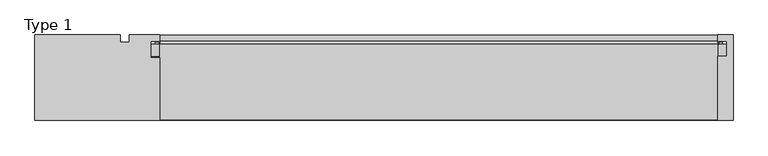
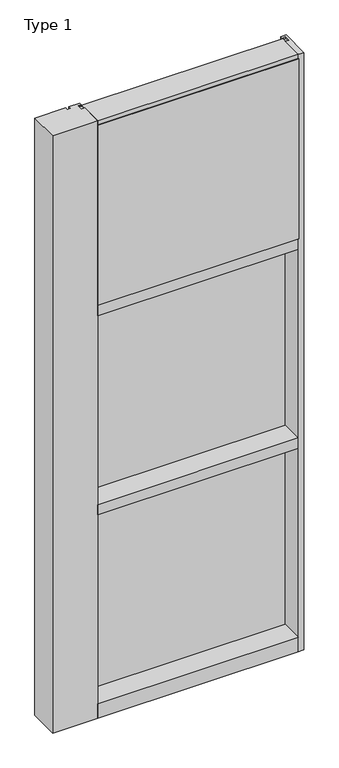
"""IFC4 building model written with IfcOpenShell, lengths in millimetres: plate geometry, Type 1."""

from ifc_helpers import new_model, si_unit, point, frame, frame_2d, origin, place, context, project, spatial, polyline, circle_curve, trimmed, segment, composite_curve, outline, extrude, source, transform, mapped, element, save


def type_1_796310bd(model_context):
    return source(origin(), model_context, "Body", "SweptSolid", [
        extrude(outline(composite_curve([segment(polyline([(-581.8952508, 34.0361122), (-582.3061962, 27.686), (-583.2727021, 27.686), (-583.3002095, 31.7563748)]), True, "CONTINUOUS"), segment(trimmed(circle_curve(frame_2d((-583.935195, 31.7520836)), 0.635), [point((-583.3002095, 31.7563748))], [point((-583.9001142, 32.3861138))], True, "CARTESIAN"), True, "CONTINUOUS"), segment(polyline([(-583.9001142, 32.3861138), (-590.6554751, 32.7598869)]), True, "CONTINUOUS"), segment(trimmed(circle_curve(frame_2d((-590.4729218, 33.7593519)), 1.016), [point((-590.6554751, 32.7598869))], [point((-591.4505004, 34.0361122))], False, "CARTESIAN"), True, "CONTINUOUS"), segment(polyline([(-591.4505004, 34.0361122), (-581.8952508, 34.0361122)]), True, "CONTINUOUS")], self_intersect=False)), frame((0.0, 0.0, 2459.3728643), z_axis=(0.0, 0.0, 1.0), x_axis=(1.0, 0.0, 0.0)), (0.0, 0.0, 1.0), 1134.7271357),
        extrude(outline(composite_curve([segment(polyline([(582.3061962, 27.686), (581.8952508, 34.0361122), (591.4505004, 34.0361122)]), True, "CONTINUOUS"), segment(trimmed(circle_curve(frame_2d((590.4729218, 33.7593519)), 1.016), [point((591.4505004, 34.0361122))], [point((590.6554751, 32.7598869))], False, "CARTESIAN"), True, "CONTINUOUS"), segment(polyline([(590.6554751, 32.7598869), (583.9001142, 32.3861138)]), True, "CONTINUOUS"), segment(trimmed(circle_curve(frame_2d((583.935195, 31.7520836)), 0.635), [point((583.9001142, 32.3861138))], [point((583.3002095, 31.7563748))], True, "CARTESIAN"), True, "CONTINUOUS"), segment(polyline([(583.3002095, 31.7563748), (583.2727021, 27.686), (582.3061962, 27.686)]), True, "CONTINUOUS")], self_intersect=False)), frame((0.0, 0.0, 2459.3728643), z_axis=(0.0, 0.0, 1.0), x_axis=(1.0, 0.0, 0.0)), (0.0, 0.0, 1.0), 1134.7271357),
        extrude(outline(polyline([(34.0361122, 2459.3728643), (27.686, 2459.3728643), (27.686, 2471.8771952), (34.0361122, 2470.1238955), (34.0361122, 2459.3728643)])), frame((-591.4505004, 0.0, 0.0), z_axis=(1.0, 0.0, 0.0), x_axis=(0.0, 1.0, 0.0)), (0.0, 0.0, 1.0), 1182.9010007),
        extrude(outline(polyline([(581.81875, -48.514), (581.81875, -131.0159103), (-581.81875, -131.0159103), (-581.81875, -48.514), (581.81875, -48.514)])), frame((0.0, 0.0, 2470.15), z_axis=(0.0, 0.0, 1.0), x_axis=(1.0, 0.0, 0.0)), (0.0, 0.0, 1.0), 1104.9),
        extrude(outline(polyline([(600.86875, 27.686), (600.86875, 2.286), (-600.86875, 2.286), (-600.86875, 27.686), (600.86875, 27.686)])), frame((0.0, 0.0, 2451.1), z_axis=(0.0, 0.0, 1.0), x_axis=(1.0, 0.0, 0.0)), (0.0, 0.0, 1.0), 1143.0),
        extrude(outline(polyline([(-581.81875, -130.5814), (-842.191931, -130.5814), (-842.191931, 47.2163079), (-664.3690542, 47.2163079), (-664.3690542, 31.3944), (-645.31875, 31.3944), (-645.31875, 47.2186), (-581.81875, 47.2186), (-581.81875, 34.036), (-600.86875, 34.036), (-600.86875, 0.0), (-581.81875, 0.0), (-581.81875, -130.5814)])), frame((0.0, 0.0, -57.15), z_axis=(0.0, 0.0, 1.0), x_axis=(1.0, 0.0, 0.0)), (0.0, 0.0, 1.0), 3657.6),
        extrude(outline(polyline([(613.56875, -130.5814), (581.81875, -130.5814), (581.81875, 2.286), (600.86875, 2.286), (600.86875, 34.036), (581.8176608, 34.036), (581.8176608, 47.2186), (613.56875, 47.2186), (613.56875, -130.5814)])), frame((0.0, 0.0, -57.15), z_axis=(0.0, 0.0, 1.0), x_axis=(1.0, 0.0, 0.0)), (0.0, 0.0, 1.0), 3657.6),
        extrude(outline(polyline([(27.686, 1252.6752684), (34.036, 1250.9219997), (34.036, 1240.1709644), (27.686, 1240.1709644), (27.686, 1252.6752684)])), frame((-591.4516213, 0.0, 0.0), z_axis=(1.0, 0.0, 0.0), x_axis=(0.0, 1.0, 0.0)), (0.0, 0.0, 1.0), 1182.9032427),
        extrude(outline(polyline([(27.6860992, 2417.4309356), (34.0360992, 2417.4309356), (34.0360992, 2406.6798775), (27.6860992, 2404.9266088), (27.6860992, 2417.4309356)])), frame((-591.4516213, 0.0, 0.0), z_axis=(1.0, 0.0, 0.0), x_axis=(0.0, 1.0, 0.0)), (0.0, 0.0, 1.0), 1182.9032427),
        extrude(outline(composite_curve([segment(trimmed(circle_curve(frame_2d((-583.9362842, 31.7520836)), 0.635), [point((-583.3012987, 31.7563748))], [point((-583.9012034, 32.3861138))], True, "CARTESIAN"), True, "CONTINUOUS"), segment(polyline([(-583.9012034, 32.3861138), (-590.6565643, 32.7598869)]), True, "CONTINUOUS"), segment(trimmed(circle_curve(frame_2d((-590.4740111, 33.7593519)), 1.016), [point((-590.6565643, 32.7598869))], [point((-591.4516213, 34.036))], False, "CARTESIAN"), True, "CONTINUOUS"), segment(polyline([(-591.4516213, 34.036), (-581.8963472, 34.036), (-582.3072854, 27.686), (-583.2737913, 27.686), (-583.3012987, 31.7563748)]), True, "CONTINUOUS")], self_intersect=False)), frame((0.0, 0.0, 1240.1709644), z_axis=(0.0, 0.0, 1.0), x_axis=(1.0, 0.0, 0.0)), (0.0, 0.0, 1.0), 1177.2580861),
        extrude(outline(composite_curve([segment(polyline([(582.3072854, 27.686), (581.8963472, 34.036), (591.4516213, 34.036)]), True, "CONTINUOUS"), segment(trimmed(circle_curve(frame_2d((590.4740111, 33.7593519)), 1.016), [point((591.4516213, 34.036))], [point((590.6565643, 32.7598869))], False, "CARTESIAN"), True, "CONTINUOUS"), segment(polyline([(590.6565643, 32.7598869), (583.9012034, 32.3861138)]), True, "CONTINUOUS"), segment(trimmed(circle_curve(frame_2d((583.9362842, 31.7520836)), 0.635), [point((583.9012034, 32.3861138))], [point((583.3012987, 31.7563748))], True, "CARTESIAN"), True, "CONTINUOUS"), segment(polyline([(583.3012987, 31.7563748), (583.2737913, 27.686), (582.3072854, 27.686)]), True, "CONTINUOUS")], self_intersect=False)), frame((0.0, 0.0, 1240.1709644), z_axis=(0.0, 0.0, 1.0), x_axis=(1.0, 0.0, 0.0)), (0.0, 0.0, 1.0), 1177.2580861),
        extrude(outline(polyline([(600.8698392, 27.686), (600.8698392, 2.286), (-600.8698392, 2.286), (-600.8698392, 27.686), (600.8698392, 27.686)])), frame((0.0, 0.0, 1231.8962001), z_axis=(0.0, 0.0, 1.0), x_axis=(1.0, 0.0, 0.0)), (0.0, 0.0, 1.0), 1193.8037999),
        extrude(outline(polyline([(27.686, 33.4752684), (34.036, 31.7219997), (34.036, 20.9709644), (27.686, 20.9709644), (27.686, 33.4752684)])), frame((-591.4516213, 0.0, 0.0), z_axis=(1.0, 0.0, 0.0), x_axis=(0.0, 1.0, 0.0)), (0.0, 0.0, 1.0), 1182.9032427),
        extrude(outline(polyline([(27.6860992, 1198.2309356), (34.0360992, 1198.2309356), (34.0360992, 1187.4798775), (27.6860992, 1185.7266088), (27.6860992, 1198.2309356)])), frame((-591.4516213, 0.0, 0.0), z_axis=(1.0, 0.0, 0.0), x_axis=(0.0, 1.0, 0.0)), (0.0, 0.0, 1.0), 1182.9032427),
        extrude(outline(composite_curve([segment(trimmed(circle_curve(frame_2d((-583.9362842, 31.7520836)), 0.635), [point((-583.3012987, 31.7563748))], [point((-583.9012034, 32.3861138))], True, "CARTESIAN"), True, "CONTINUOUS"), segment(polyline([(-583.9012034, 32.3861138), (-590.6565643, 32.7598869)]), True, "CONTINUOUS"), segment(trimmed(circle_curve(frame_2d((-590.4740111, 33.7593519)), 1.016), [point((-590.6565643, 32.7598869))], [point((-591.4516213, 34.036))], False, "CARTESIAN"), True, "CONTINUOUS"), segment(polyline([(-591.4516213, 34.036), (-581.8963472, 34.036), (-582.3072854, 27.686), (-583.2737913, 27.686), (-583.3012987, 31.7563748)]), True, "CONTINUOUS")], self_intersect=False)), frame((0.0, 0.0, 20.9709644), z_axis=(0.0, 0.0, 1.0), x_axis=(1.0, 0.0, 0.0)), (0.0, 0.0, 1.0), 1177.2580861),
        extrude(outline(composite_curve([segment(polyline([(582.3072854, 27.686), (581.8963472, 34.036), (591.4516213, 34.036)]), True, "CONTINUOUS"), segment(trimmed(circle_curve(frame_2d((590.4740111, 33.7593519)), 1.016), [point((591.4516213, 34.036))], [point((590.6565643, 32.7598869))], False, "CARTESIAN"), True, "CONTINUOUS"), segment(polyline([(590.6565643, 32.7598869), (583.9012034, 32.3861138)]), True, "CONTINUOUS"), segment(trimmed(circle_curve(frame_2d((583.9362842, 31.7520836)), 0.635), [point((583.9012034, 32.3861138))], [point((583.3012987, 31.7563748))], True, "CARTESIAN"), True, "CONTINUOUS"), segment(polyline([(583.3012987, 31.7563748), (583.2737913, 27.686), (582.3072854, 27.686)]), True, "CONTINUOUS")], self_intersect=False)), frame((0.0, 0.0, 20.9709644), z_axis=(0.0, 0.0, 1.0), x_axis=(1.0, 0.0, 0.0)), (0.0, 0.0, 1.0), 1177.2580861),
        extrude(outline(polyline([(600.8698392, 27.686), (600.8698392, 2.286), (-600.8698392, 2.286), (-600.8698392, 27.686), (600.8698392, 27.686)])), frame((0.0, 0.0, 12.6962001), z_axis=(0.0, 0.0, 1.0), x_axis=(1.0, 0.0, 0.0)), (0.0, 0.0, 1.0), 1193.8037999),
        extrude(outline(polyline([(0.0, 2470.15), (0.0, 2451.1), (34.13125, 2451.1), (34.13125, 2470.1462001), (46.83125, 2470.1462001), (46.83125, 2406.6462001), (34.13125, 2406.6462001), (34.13125, 2425.7), (0.0, 2425.7), (0.0, 2406.65), (-130.175, 2406.65), (-130.175, 2470.15), (0.0, 2470.15)])), frame((-581.81875, 0.0, 0.0), z_axis=(1.0, 0.0, 0.0), x_axis=(0.0, 1.0, 0.0)), (0.0, 0.0, 1.0), 1163.6375),
        extrude(outline(polyline([(-130.0734, 3600.45), (27.686, 3600.45), (27.686, 3594.1), (0.0, 3594.1), (0.0, 3575.051832), (-130.0734, 3575.051832), (-130.0734, 3600.45)])), frame((-581.81875, 0.0, 0.0), z_axis=(1.0, 0.0, 0.0), x_axis=(0.0, 1.0, 0.0)), (0.0, 0.0, 1.0), 1163.6375),
        extrude(outline(polyline([(0.0, 1250.95), (0.0, 1231.9), (34.13125, 1231.9), (34.13125, 1250.9462001), (46.83125, 1250.9462001), (46.83125, 1187.4462001), (34.13125, 1187.4462001), (34.13125, 1206.5), (0.0, 1206.5), (0.0, 1187.45), (-130.175, 1187.45), (-130.175, 1250.95), (0.0, 1250.95)])), frame((-581.81875, 0.0, 0.0), z_axis=(1.0, 0.0, 0.0), x_axis=(0.0, 1.0, 0.0)), (0.0, 0.0, 1.0), 1163.6375),
        extrude(outline(polyline([(0.0, 31.75), (0.0, 12.7), (34.13125, 12.7), (34.13125, 31.751832), (47.2186148, 31.751832), (47.2186148, -57.15), (-130.175, -57.15), (-130.175, 31.75), (0.0, 31.75)])), frame((-581.81875, 0.0, 0.0), z_axis=(1.0, 0.0, 0.0), x_axis=(0.0, 1.0, 0.0)), (0.0, 0.0, 1.0), 1163.6375),
    ])


if __name__ == "__main__":
    model = new_model("IFC4")
    model_context = context("Model", 3, world=origin())
    ifc_project = project(units=[si_unit("LENGTHUNIT", "METRE", prefix="MILLI")], contexts=[model_context])
    site = spatial("IfcSite", under=ifc_project)
    building = spatial("IfcBuilding", under=site)
    placement = place(None, origin())
    type_1_shape = type_1_796310bd(model_context)
    element("IfcPlate", 1, ObjectType="Type 1", at=placement, inside=building, context=model_context, shape_type="MappedRepresentation", body=[
        mapped(type_1_shape, transform((0.0, 0.0, 0.0), x_axis=(1.0, 0.0, 0.0), y_axis=(0.0, 1.0, 0.0), z_axis=(0.0, 0.0, 1.0))),
    ])
    save(model, "model.ifc")
